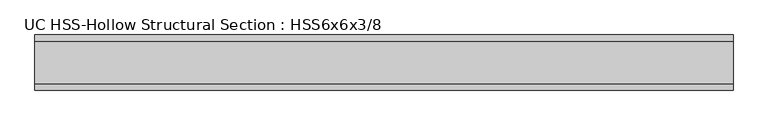
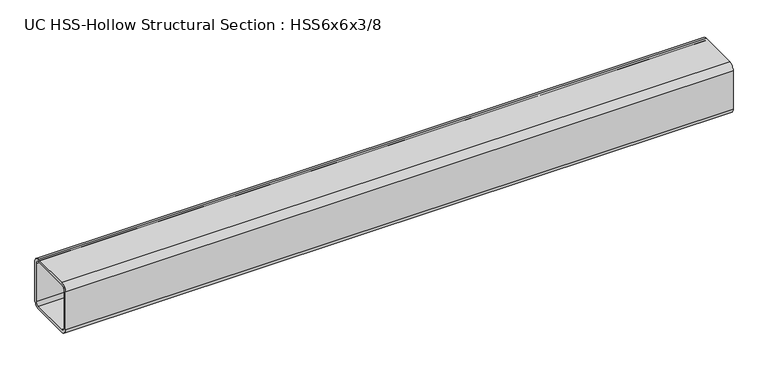
"""IFC4 building model written with IfcOpenShell, lengths in millimetres: beam geometry, UC HSS-Hollow Structural Section : HSS6x6x3/8."""

from ifc_helpers import new_model, si_unit, point, frame, frame_2d, origin, place, context, project, spatial, polyline, circle_curve, trimmed, segment, composite_curve, outline, extrude, source, transform, mapped, element, save


def uc_hss_hollow_structural_section_hss6x6x3_8_8fb57e01(model_context):
    return source(origin(), model_context, "Body", "SweptSolid", [
        extrude(outline(composite_curve([segment(polyline([(76.2, 58.4708), (76.2, -58.4708)]), True, "CONTINUOUS"), segment(trimmed(circle_curve(frame_2d((58.4708, -58.4708)), 17.7292), [point((76.2, -58.4708))], [point((58.4708, -76.2))], False, "CARTESIAN"), True, "CONTINUOUS"), segment(polyline([(58.4708, -76.2), (-58.4708, -76.2)]), True, "CONTINUOUS"), segment(trimmed(circle_curve(frame_2d((-58.4708, -58.4708)), 17.7292), [point((-58.4708, -76.2))], [point((-76.2, -58.4708))], False, "CARTESIAN"), True, "CONTINUOUS"), segment(polyline([(-76.2, -58.4708), (-76.2, 58.4708)]), True, "CONTINUOUS"), segment(trimmed(circle_curve(frame_2d((-58.4708, 58.4708)), 17.7292), [point((-76.2, 58.4708))], [point((-58.4708, 76.2))], False, "CARTESIAN"), True, "CONTINUOUS"), segment(polyline([(-58.4708, 76.2), (58.4708, 76.2)]), True, "CONTINUOUS"), segment(trimmed(circle_curve(frame_2d((58.4708, 58.4708)), 17.7292), [point((58.4708, 76.2))], [point((76.2, 58.4708))], False, "CARTESIAN"), True, "CONTINUOUS")], self_intersect=False), holes=[composite_curve([segment(trimmed(circle_curve(frame_2d((-58.4708, 58.4708)), 8.8646), [point((-58.4708, 67.3354))], [point((-67.3354, 58.4708))], True, "CARTESIAN"), True, "CONTINUOUS"), segment(polyline([(-67.3354, 58.4708), (-67.3354, -58.4708)]), True, "CONTINUOUS"), segment(trimmed(circle_curve(frame_2d((-58.4708, -58.4708)), 8.8646), [point((-67.3354, -58.4708))], [point((-58.4708, -67.3354))], True, "CARTESIAN"), True, "CONTINUOUS"), segment(polyline([(-58.4708, -67.3354), (58.4708, -67.3354)]), True, "CONTINUOUS"), segment(trimmed(circle_curve(frame_2d((58.4708, -58.4708)), 8.8646), [point((58.4708, -67.3354))], [point((67.3354, -58.4708))], True, "CARTESIAN"), True, "CONTINUOUS"), segment(polyline([(67.3354, -58.4708), (67.3354, 58.4708)]), True, "CONTINUOUS"), segment(trimmed(circle_curve(frame_2d((58.4708, 58.4708)), 8.8646), [point((67.3354, 58.4708))], [point((58.4708, 67.3354))], True, "CARTESIAN"), True, "CONTINUOUS"), segment(polyline([(58.4708, 67.3354), (-58.4708, 67.3354)]), True, "CONTINUOUS")], self_intersect=False)]), frame((-899.860136, 0.0, 0.0), z_axis=(1.0, 0.0, 0.0), x_axis=(0.0, 1.0, 0.0)), (0.0, 0.0, 1.0), 1931.0371836),
    ])


if __name__ == "__main__":
    model = new_model("IFC4")
    model_context = context("Model", 3, world=origin())
    ifc_project = project(units=[si_unit("LENGTHUNIT", "METRE", prefix="MILLI")], contexts=[model_context])
    site = spatial("IfcSite", under=ifc_project)
    building = spatial("IfcBuilding", under=site)
    placement = place(None, origin())
    uc_hss_hollow_structural_section_hss6x6x3_8_shape = uc_hss_hollow_structural_section_hss6x6x3_8_8fb57e01(model_context)
    element("IfcBeam", 1, ObjectType="UC HSS-Hollow Structural Section : HSS6x6x3/8", at=placement, inside=building, context=model_context, shape_type="MappedRepresentation", body=[
        mapped(uc_hss_hollow_structural_section_hss6x6x3_8_shape, transform((0.0, 0.0, 0.0), x_axis=(1.0, 0.0, 0.0), y_axis=(0.0, 1.0, 0.0), z_axis=(0.0, 0.0, 1.0))),
    ])
    save(model, "model.ifc")
